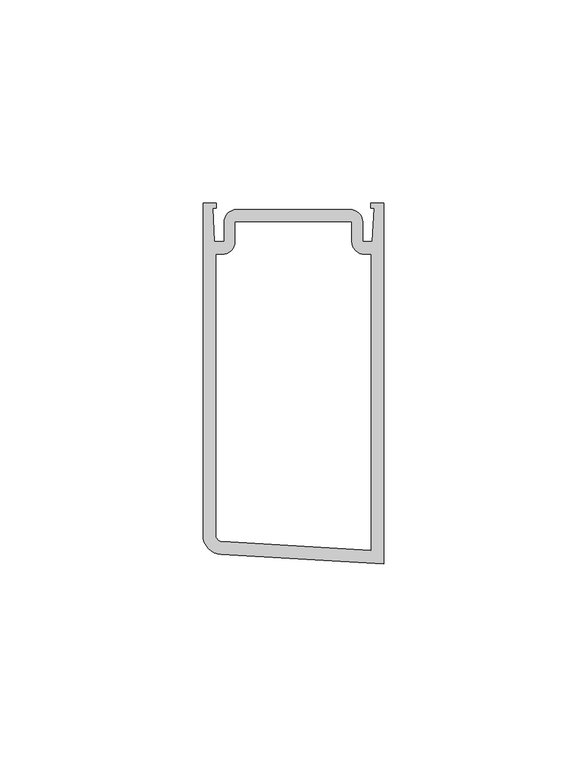
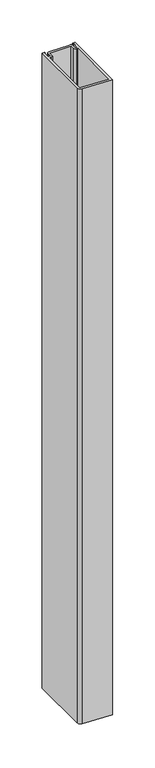
"""IFC4 building model written with IfcOpenShell, lengths in millimetres: proxy geometry."""

from ifc_helpers import new_model, si_unit, point, frame, frame_2d, origin, place, context, project, spatial, polyline, circle_curve, trimmed, segment, composite_curve, outline, extrude, source, transform, mapped, element, save


def generic_models_018c5c9a(model_context):
    return source(origin(), model_context, "Body", "SweptSolid", [
        extrude(outline(composite_curve([segment(polyline([(37219.9022168, -23754.9439073), (37219.9022168, -23750.2068073)]), True, "CONTINUOUS"), segment(trimmed(circle_curve(frame_2d((37223.0772168, -23750.2068073)), 3.175), [point((37219.9022168, -23750.2068073))], [point((37223.0772168, -23747.0318073))], False, "CARTESIAN"), True, "CONTINUOUS"), segment(polyline([(37223.0772168, -23747.0318073), (37250.8648168, -23747.0318073)]), True, "CONTINUOUS"), segment(trimmed(circle_curve(frame_2d((37250.8648168, -23750.2068073)), 3.175), [point((37250.8648168, -23747.0318073))], [point((37254.0398168, -23750.2068073))], False, "CARTESIAN"), True, "CONTINUOUS"), segment(polyline([(37254.0398168, -23750.2068073), (37254.0398168, -23754.9439073), (37256.4210668, -23754.9439073), (37256.8338168, -23746.7143073), (37256.0210168, -23746.7143073), (37256.0210168, -23745.4443073), (37259.1960168, -23745.4443073), (37259.1960168, -23834.3443073), (37219.2318786, -23832.0189943)]), True, "CONTINUOUS"), segment(trimmed(circle_curve(frame_2d((37219.5085168, -23827.2645355)), 4.7625), [point((37219.2318786, -23832.0189943))], [point((37214.7460168, -23827.2645355))], False, "CARTESIAN"), True, "CONTINUOUS"), segment(polyline([(37214.7460168, -23827.2645355), (37214.7460168, -23745.4443073), (37217.9210168, -23745.4443073), (37217.9210168, -23746.7143073), (37217.1082168, -23746.7143073), (37217.5209668, -23754.9439073), (37219.9022168, -23754.9439073)]), True, "CONTINUOUS")], self_intersect=False), holes=[composite_curve([segment(polyline([(37251.2712168, -23750.2068073), (37222.6708168, -23750.2068073), (37222.6708168, -23754.9439073)]), True, "CONTINUOUS"), segment(trimmed(circle_curve(frame_2d((37219.4958168, -23754.9439073)), 3.175), [point((37222.6708168, -23754.9439073))], [point((37219.4958168, -23758.1189073))], False, "CARTESIAN"), True, "CONTINUOUS"), segment(polyline([(37219.4958168, -23758.1189073), (37217.9210168, -23758.1189073), (37217.9210168, -23827.2645355)]), True, "CONTINUOUS"), segment(trimmed(circle_curve(frame_2d((37219.5085168, -23827.2645355)), 1.5875), [point((37217.9210168, -23827.2645355))], [point((37219.4163041, -23828.8493551))], True, "CARTESIAN"), True, "CONTINUOUS"), segment(polyline([(37219.4163041, -23828.8493551), (37256.0210168, -23830.9792001), (37256.0210168, -23758.1189073), (37254.4462168, -23758.1189073)]), True, "CONTINUOUS"), segment(trimmed(circle_curve(frame_2d((37254.4462168, -23754.9439073)), 3.175), [point((37254.4462168, -23758.1189073))], [point((37251.2712168, -23754.9439073))], False, "CARTESIAN"), True, "CONTINUOUS"), segment(polyline([(37251.2712168, -23754.9439073), (37251.2712168, -23750.2068073)]), True, "CONTINUOUS")], self_intersect=False)]), frame((0.0, 0.0, 1524.0), z_axis=(0.0, 0.0, 1.0), x_axis=(1.0, 0.0, 0.0)), (0.0, 0.0, 1.0), 914.4),
    ])


if __name__ == "__main__":
    model = new_model("IFC4")
    model_context = context("Model", 3, world=origin())
    ifc_project = project(units=[si_unit("LENGTHUNIT", "METRE", prefix="MILLI")], contexts=[model_context])
    site = spatial("IfcSite", under=ifc_project)
    building = spatial("IfcBuilding", under=site)
    placement = place(None, origin())
    generic_models_shape = generic_models_018c5c9a(model_context)
    element("IfcBuildingElementProxy", 1, Name="Generic Models", at=placement, inside=building, context=model_context, shape_type="MappedRepresentation", body=[
        mapped(generic_models_shape, transform((0.0, 0.0, 0.0), x_axis=(1.0, 0.0, 0.0), y_axis=(0.0, 1.0, 0.0), z_axis=(0.0, 0.0, 1.0))),
    ])
    save(model, "model.ifc")
